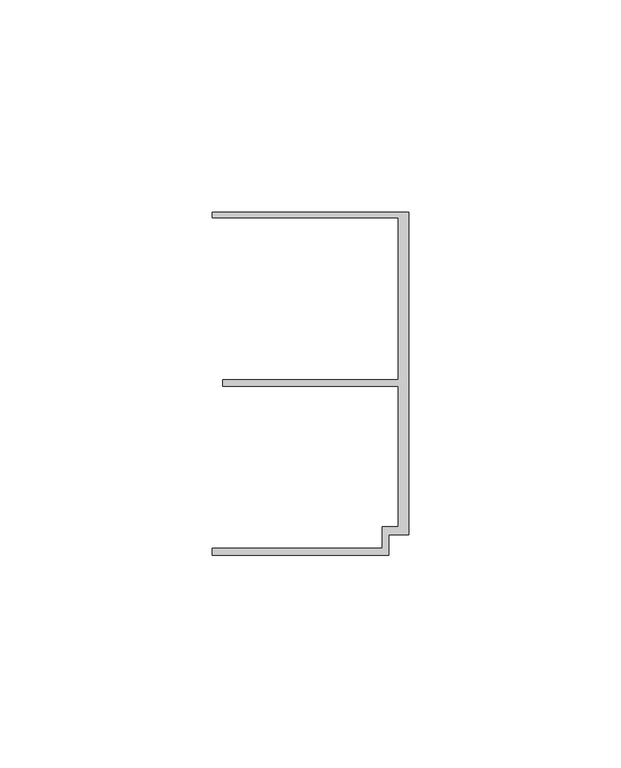
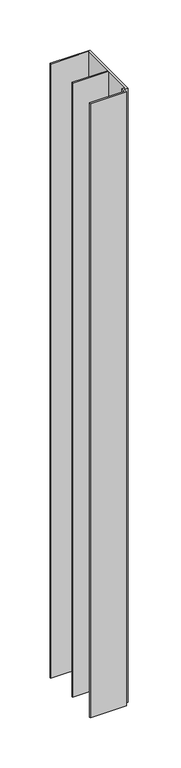
"""IFC4 building model written with IfcOpenShell, lengths in millimetres: member geometry."""

from ifc_helpers import new_model, si_unit, frame, origin, place, context, project, spatial, polyline, outline, extrude, source, transform, mapped, element, save


def member_7bd2676c(model_context):
    return source(origin(), model_context, "Body", "SweptSolid", [
        extrude(outline(polyline([(-6.2, -33.95), (-2.4, -33.95), (-2.4, -0.75), (-43.8, -0.75), (-43.8, 0.75), (-2.4, 0.75), (-2.4, 38.95), (-46.3, 38.95), (-46.3, 40.25), (0.0, 40.25), (0.0, -35.75), (-4.6999992, -35.75), (-4.6999992, -40.65), (-46.3, -40.65), (-46.3, -38.95), (-6.2, -38.95), (-6.2, -33.95)])), frame((0.0, 0.0, -747.4001021), z_axis=(0.0, 0.0, 1.0), x_axis=(1.0, 0.0, 0.0)), (0.0, 0.0, 1.0), 747.4001021),
    ])


if __name__ == "__main__":
    model = new_model("IFC4")
    model_context = context("Model", 3, world=origin())
    ifc_project = project(units=[si_unit("LENGTHUNIT", "METRE", prefix="MILLI")], contexts=[model_context])
    site = spatial("IfcSite", under=ifc_project)
    building = spatial("IfcBuilding", under=site)
    placement = place(None, origin())
    member_shape = member_7bd2676c(model_context)
    element("IfcMember", 1, at=placement, inside=building, context=model_context, shape_type="MappedRepresentation", body=[
        mapped(member_shape, transform((0.0, 0.0, 0.0), x_axis=(1.0, 0.0, 0.0), y_axis=(0.0, 1.0, 0.0), z_axis=(0.0, 0.0, 1.0))),
    ])
    save(model, "model.ifc")
